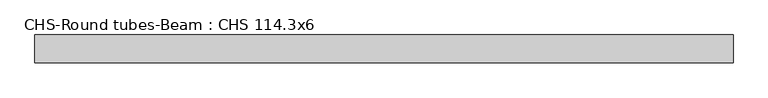
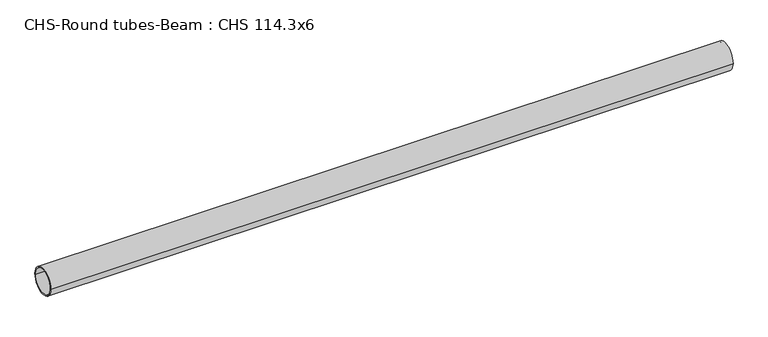
"""IFC4 building model written with IfcOpenShell, lengths in millimetres: beam geometry, CHS-Round tubes-Beam : CHS 114.3x6."""

from ifc_helpers import new_model, si_unit, point, frame, origin, origin_2d, place, context, project, spatial, circle_curve, trimmed, segment, composite_curve, outline, extrude, source, transform, mapped, element, save


def chs_round_tubes_beam_chs_114_3x6_5f9822cd(model_context):
    return source(origin(), model_context, "Body", "SweptSolid", [
        extrude(outline(composite_curve([segment(trimmed(circle_curve(origin_2d(), 57.15), [point((57.15, 0.0))], [point((-57.15, 0.0))], False, "CARTESIAN"), True, "CONTINUOUS"), segment(trimmed(circle_curve(origin_2d(), 57.15), [point((-57.15, 0.0))], [point((57.15, 0.0))], False, "CARTESIAN"), True, "CONTINUOUS")], self_intersect=False), holes=[composite_curve([segment(trimmed(circle_curve(origin_2d(), 51.15), [point((51.15, 0.0))], [point((-51.15, 0.0))], True, "CARTESIAN"), True, "CONTINUOUS"), segment(trimmed(circle_curve(origin_2d(), 51.15), [point((-51.15, 0.0))], [point((51.15, 0.0))], True, "CARTESIAN"), True, "CONTINUOUS")], self_intersect=False)]), frame((-1409.1760757, 0.0, 0.0), z_axis=(1.0, 0.0, 0.0), x_axis=(0.0, 1.0, 0.0)), (0.0, 0.0, 1.0), 2844.8534554),
    ])


if __name__ == "__main__":
    model = new_model("IFC4")
    model_context = context("Model", 3, world=origin())
    ifc_project = project(units=[si_unit("LENGTHUNIT", "METRE", prefix="MILLI")], contexts=[model_context])
    site = spatial("IfcSite", under=ifc_project)
    building = spatial("IfcBuilding", under=site)
    placement = place(None, origin())
    chs_round_tubes_beam_chs_114_3x6_shape = chs_round_tubes_beam_chs_114_3x6_5f9822cd(model_context)
    element("IfcBeam", 1, ObjectType="CHS-Round tubes-Beam : CHS 114.3x6", at=placement, inside=building, context=model_context, shape_type="MappedRepresentation", body=[
        mapped(chs_round_tubes_beam_chs_114_3x6_shape, transform((0.0, 0.0, 0.0), x_axis=(1.0, 0.0, 0.0), y_axis=(0.0, 1.0, 0.0), z_axis=(0.0, 0.0, 1.0))),
    ])
    save(model, "model.ifc")
